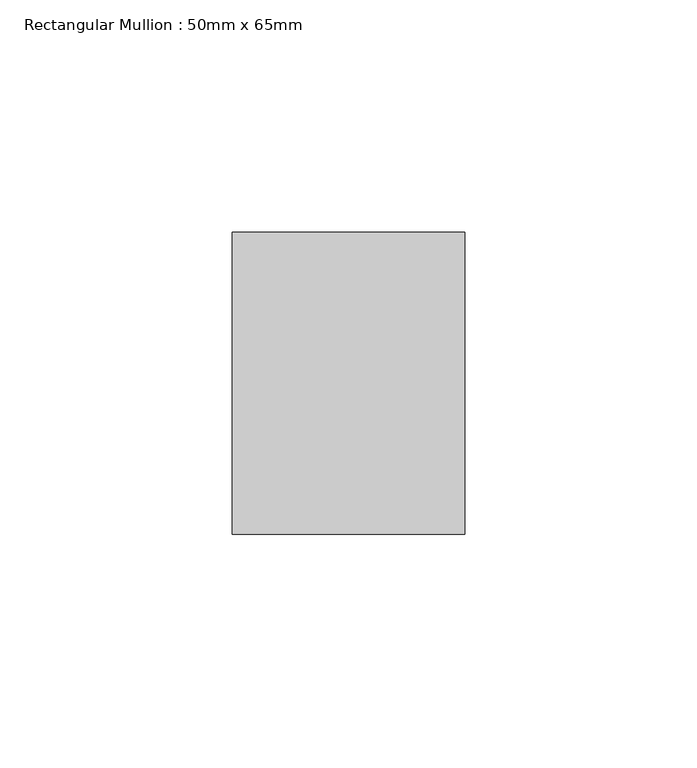
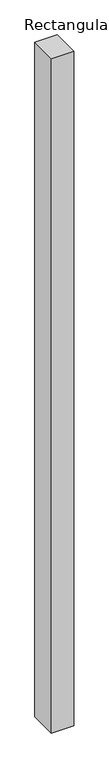
"""IFC4 building model written with IfcOpenShell, lengths in millimetres: member geometry, Rectangular Mullion : 50mm x 65mm."""

from ifc_helpers import new_model, si_unit, frame, origin, place, context, project, spatial, polyline, outline, extrude, source, transform, mapped, element, save


def rectangular_mullion_50mm_x_65mm_e12a3784(model_context):
    return source(origin(), model_context, "Body", "SweptSolid", [
        extrude(outline(polyline([(25.0, 32.5), (25.0, -32.5), (-25.0, -32.5), (-25.0, 32.5), (25.0, 32.5)])), frame((0.0, 0.0, -1612.9647326), z_axis=(0.0, 0.0, 1.0), x_axis=(1.0, 0.0, 0.0)), (0.0, 0.0, 1.0), 1612.9647326),
    ])


if __name__ == "__main__":
    model = new_model("IFC4")
    model_context = context("Model", 3, world=origin())
    ifc_project = project(units=[si_unit("LENGTHUNIT", "METRE", prefix="MILLI")], contexts=[model_context])
    site = spatial("IfcSite", under=ifc_project)
    building = spatial("IfcBuilding", under=site)
    placement = place(None, origin())
    rectangular_mullion_50mm_x_65mm_shape = rectangular_mullion_50mm_x_65mm_e12a3784(model_context)
    element("IfcMember", 1, ObjectType="Rectangular Mullion : 50mm x 65mm", at=placement, inside=building, context=model_context, shape_type="MappedRepresentation", body=[
        mapped(rectangular_mullion_50mm_x_65mm_shape, transform((0.0, 0.0, 0.0), x_axis=(1.0, 0.0, 0.0), y_axis=(0.0, 1.0, 0.0), z_axis=(0.0, 0.0, 1.0))),
    ])
    save(model, "model.ifc")
